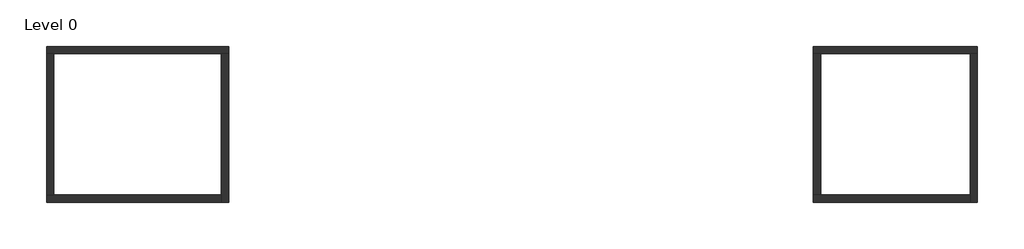
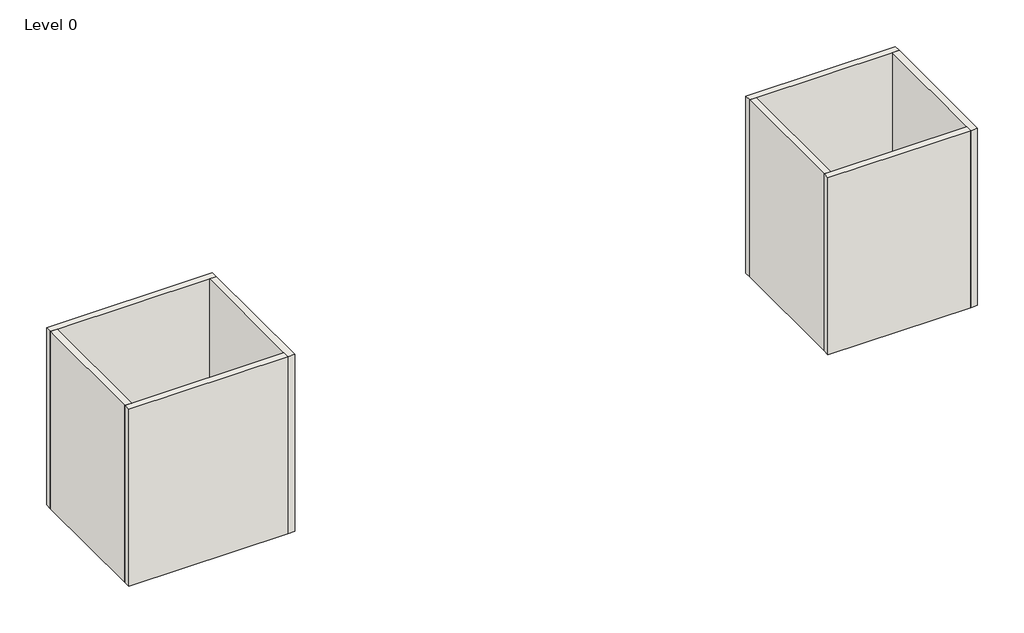
# One storey: 8 walls.
"""IFC4 building model written with IfcOpenShell, lengths in millimetres."""

from ifc_helpers import new_model, si_unit, origin, origin_with_axes, place, context, project, spatial, polyline, outline, extrude, faceted_brep, element, save

model = new_model("IFC4")

# Units and contexts
model_context = context("Model", 3, world=origin())
ifc_project = project(units=[si_unit("LENGTHUNIT", "METRE", prefix="MILLI")], contexts=[model_context])

# Site, building, storey
site = spatial("IfcSite", under=ifc_project)
building = spatial("IfcBuilding", under=site)
storey = spatial("IfcBuildingStorey", under=building, Name="Level 0", Elevation=0.0)

# Walls
placement = place(None, origin())
element("IfcWall", 1, at=placement, inside=storey, context=model_context, shape_type="Brep", body=[
    faceted_brep([(-1116.583138, 297.7613716, 0.0), (-826.583138, 297.7613716, 0.0), (5683.416862, 297.7613716, 0.0), (5973.416862, 297.7613716, 0.0), (5973.416862, 297.7613716, 8000.0), (5683.416862, 297.7613716, 8000.0), (-826.583138, 297.7613716, 8000.0), (-1116.583138, 297.7613716, 8000.0), (-1116.583138, 587.7613716, 0.0), (-1116.583138, 587.7613716, 8000.0), (5973.416862, 587.7613716, 8000.0), (5973.416862, 587.7613716, 0.0)], [[[0, 1, 2, 3, 4, 5, 6, 7]], [[8, 9, 10, 11]], [[3, 2, 1, 0, 8, 11]], [[7, 6, 5, 4, 10, 9]], [[4, 3, 11, 10]], [[0, 7, 9, 8]]]),
])
element("IfcWall", 2, at=placement, inside=storey, context=model_context, shape_type="Brep", body=[
    faceted_brep([(5683.416862, 297.7613716, 0.0), (5683.416862, -5212.2386284, 0.0), (5683.416862, -5502.2386284, 0.0), (5683.416862, -5502.2386284, 8000.0), (5683.416862, -5212.2386284, 8000.0), (5683.416862, 297.7613716, 8000.0), (5973.416862, 297.7613716, 0.0), (5973.416862, 297.7613716, 8000.0), (5973.416862, -5502.2386284, 8000.0), (5973.416862, -5502.2386284, 0.0)], [[[0, 1, 2, 3, 4, 5]], [[6, 7, 8, 9]], [[2, 1, 0, 6, 9]], [[5, 4, 3, 8, 7]], [[0, 5, 7, 6]], [[3, 2, 9, 8]]]),
])
element("IfcWall", 3, at=placement, inside=storey, context=model_context, shape_type="Brep", body=[
    faceted_brep([(5683.416862, -5212.2386284, 0.0), (-826.583138, -5212.2386284, 0.0), (-1116.583138, -5212.2386284, 0.0), (-1116.583138, -5212.2386284, 8000.0), (-826.583138, -5212.2386284, 8000.0), (5683.416862, -5212.2386284, 8000.0), (5683.416862, -5502.2386284, 0.0), (5683.416862, -5502.2386284, 8000.0), (-1116.583138, -5502.2386284, 8000.0), (-1116.583138, -5502.2386284, 0.0)], [[[0, 1, 2, 3, 4, 5]], [[6, 7, 8, 9]], [[2, 1, 0, 6, 9]], [[5, 4, 3, 8, 7]], [[0, 5, 7, 6]], [[3, 2, 9, 8]]]),
])
element("IfcWall", 4, at=placement, inside=storey, context=model_context, shape_type="SweptSolid", body=[
    extrude(outline(polyline([(-826.583138, 297.7613716), (-826.583138, -5212.2386284), (-1116.583138, -5212.2386284), (-1116.583138, 297.7613716), (-826.583138, 297.7613716)])), origin_with_axes(), (0.0, 0.0, 1.0), 8000.0),
])
element("IfcWall", 5, at=placement, inside=storey, context=model_context, shape_type="Brep", body=[
    faceted_brep([(28765.2743384, 297.7613716, 0.0), (29055.2743384, 297.7613716, 0.0), (34865.2743384, 297.7613716, 0.0), (35155.2743384, 297.7613716, 0.0), (35155.2743384, 297.7613716, 8000.0), (34865.2743384, 297.7613716, 8000.0), (29055.2743384, 297.7613716, 8000.0), (28765.2743384, 297.7613716, 8000.0), (28765.2743384, 587.7613716, 0.0), (28765.2743384, 587.7613716, 8000.0), (35155.2743384, 587.7613716, 8000.0), (35155.2743384, 587.7613716, 0.0)], [[[0, 1, 2, 3, 4, 5, 6, 7]], [[8, 9, 10, 11]], [[3, 2, 1, 0, 8, 11]], [[7, 6, 5, 4, 10, 9]], [[4, 3, 11, 10]], [[0, 7, 9, 8]]]),
])
element("IfcWall", 6, at=placement, inside=storey, context=model_context, shape_type="Brep", body=[
    faceted_brep([(34865.2743384, 297.7613716, 0.0), (34865.2743384, -5212.2386284, 0.0), (34865.2743384, -5502.2386284, 0.0), (34865.2743384, -5502.2386284, 8000.0), (34865.2743384, -5212.2386284, 8000.0), (34865.2743384, 297.7613716, 8000.0), (35155.2743384, 297.7613716, 0.0), (35155.2743384, 297.7613716, 8000.0), (35155.2743384, -5502.2386284, 8000.0), (35155.2743384, -5502.2386284, 0.0)], [[[0, 1, 2, 3, 4, 5]], [[6, 7, 8, 9]], [[2, 1, 0, 6, 9]], [[5, 4, 3, 8, 7]], [[0, 5, 7, 6]], [[3, 2, 9, 8]]]),
])
element("IfcWall", 7, at=placement, inside=storey, context=model_context, shape_type="Brep", body=[
    faceted_brep([(34865.2743384, -5212.2386284, 0.0), (29055.2743384, -5212.2386284, 0.0), (28765.2743384, -5212.2386284, 0.0), (28765.2743384, -5212.2386284, 8000.0), (29055.2743384, -5212.2386284, 8000.0), (34865.2743384, -5212.2386284, 8000.0), (34865.2743384, -5502.2386284, 0.0), (34865.2743384, -5502.2386284, 8000.0), (28765.2743384, -5502.2386284, 8000.0), (28765.2743384, -5502.2386284, 0.0)], [[[0, 1, 2, 3, 4, 5]], [[6, 7, 8, 9]], [[2, 1, 0, 6, 9]], [[5, 4, 3, 8, 7]], [[0, 5, 7, 6]], [[3, 2, 9, 8]]]),
])
element("IfcWall", 8, at=placement, inside=storey, context=model_context, shape_type="SweptSolid", body=[
    extrude(outline(polyline([(29055.2743384, 297.7613716), (29055.2743384, -5212.2386284), (28765.2743384, -5212.2386284), (28765.2743384, 297.7613716), (29055.2743384, 297.7613716)])), origin_with_axes(), (0.0, 0.0, 1.0), 8000.0),
])

save(model, "model.ifc")
